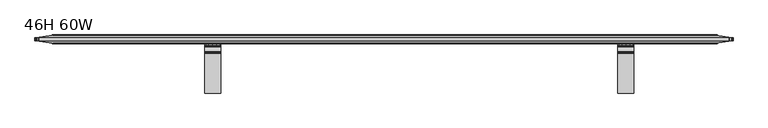
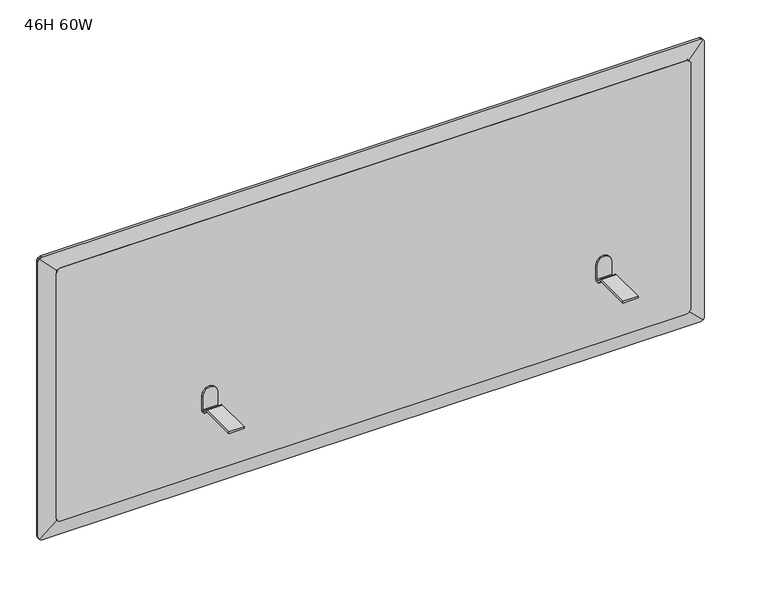
"""IFC4 building model written with IfcOpenShell, lengths in millimetres: furniture geometry, 46H 60W."""

from ifc_helpers import new_model, si_unit, frame, origin, place, context, project, spatial, polyline, outline, extrude, faceted_brep, source, transform, mapped, element, save


def furniture_46h_60w_ae4ec70a(model_context):
    return source(origin(), model_context, "Body", "SolidModel", [
        faceted_brep([(1113.766828, -116.7817253, 666.5974657), (1148.7680164, -116.7817253, 666.5974657), (1148.7680164, -116.7817253, 670.585231), (1113.766828, -116.7817253, 670.585231), (1148.7680164, -9.5259334, 693.0895987), (1148.7680164, -9.5259334, 661.0950399), (1113.766828, -9.5259334, 661.0950399), (1113.766828, -9.5259334, 693.0895987), (1116.1114523, -9.5259334, 701.8399366), (1122.5171296, -9.5259334, 708.2455776), (1131.2674313, -9.5259334, 710.590202), (1140.0177147, -9.5259334, 708.2455776), (1146.4233921, -9.5259334, 701.8399366), (1113.766828, -31.1421035, 670.585231), (1113.766828, -29.2320933, 670.2053123), (1113.766828, -27.6128631, 669.1234016), (1113.766828, -17.8064236, 659.3169508), (1113.766828, -15.0660374, 658.7718533), (1113.766828, -13.5137327, 661.0950399), (1113.766828, -13.5137327, 693.0895987), (1113.766828, -10.6217853, 657.4824697), (1113.766828, -13.5399723, 655.0875578), (1113.766828, -17.2968889, 654.7175949), (1113.766828, -20.6262233, 656.4971375), (1113.766828, -30.7265422, 666.5974657), (1116.1114523, -13.5137327, 701.8399366), (1122.5171296, -13.5137327, 708.2455776), (1131.2674313, -13.5137327, 710.590202), (1140.0177147, -13.5137327, 708.2455776), (1146.4233921, -13.5137327, 701.8399366), (1148.7680164, -13.5137327, 693.0895987), (1148.7680164, -30.7265422, 666.5974657), (1148.7680164, -20.6262233, 656.4971375), (1148.7680164, -17.2968889, 654.7175949), (1148.7680164, -13.5399723, 655.0875578), (1148.7680164, -10.6217853, 657.4824697), (1148.7680164, -13.5137327, 661.0950399), (1148.7680164, -15.0660374, 658.7718533), (1148.7680164, -17.8064236, 659.3169508), (1148.7680164, -27.6128631, 669.1234016), (1148.7680164, -29.2320933, 670.2053123), (1148.7680164, -31.1421035, 670.585231)], [[[0, 1, 2, 3]], [[4, 5, 6, 7, 8, 9, 10, 11, 12]], [[3, 13, 14, 15, 16, 17, 18, 19, 7, 6, 20, 21, 22, 23, 24, 0]], [[7, 19, 25, 8]], [[8, 25, 26, 9]], [[9, 26, 27, 10]], [[10, 27, 28, 11]], [[11, 28, 29, 12]], [[12, 29, 30, 4]], [[1, 31, 32, 33, 34, 35, 5, 4, 30, 36, 37, 38, 39, 40, 41, 2]], [[36, 30, 29, 28, 27, 26, 25, 19, 18]], [[13, 3, 2, 41]], [[41, 40, 14, 13]], [[40, 39, 15, 14]], [[39, 38, 16, 15]], [[38, 37, 17, 16]], [[18, 17, 37, 36]], [[31, 1, 0, 24]], [[20, 6, 5, 35]], [[35, 34, 21, 20]], [[34, 33, 22, 21]], [[33, 32, 23, 22]], [[24, 23, 32, 31]]]),
        faceted_brep([(251.2847345, -116.7817253, 666.5974657), (251.2847345, -116.7817253, 670.585231), (216.2835461, -116.7817253, 670.585231), (216.2835461, -116.7817253, 666.5974657), (216.2835461, -9.5259334, 693.0895987), (218.6281704, -9.5259334, 701.8399366), (225.0338478, -9.5259334, 708.2455776), (233.7841312, -9.5259334, 710.590202), (242.5344329, -9.5259334, 708.2455776), (248.9401102, -9.5259334, 701.8399366), (251.2847345, -9.5259334, 693.0895987), (251.2847345, -9.5259334, 661.0950399), (216.2835461, -9.5259334, 661.0950399), (251.2847345, -30.7265422, 666.5974657), (251.2847345, -20.6262233, 656.4971375), (251.2847345, -17.2968889, 654.7175949), (251.2847345, -13.5399723, 655.0875578), (251.2847345, -10.6217853, 657.4824697), (251.2847345, -13.5137327, 693.0895987), (251.2847345, -13.5137327, 661.0950399), (251.2847345, -15.0660374, 658.7718533), (251.2847345, -17.8064236, 659.3169508), (251.2847345, -27.6128631, 669.1234016), (251.2847345, -29.2320933, 670.2053123), (251.2847345, -31.1421035, 670.585231), (248.9401102, -13.5137327, 701.8399366), (242.5344329, -13.5137327, 708.2455776), (233.7841312, -13.5137327, 710.590202), (225.0338478, -13.5137327, 708.2455776), (218.6281704, -13.5137327, 701.8399366), (216.2835461, -13.5137327, 693.0895987), (216.2835461, -31.1421035, 670.585231), (216.2835461, -29.2320933, 670.2053123), (216.2835461, -27.6128631, 669.1234016), (216.2835461, -17.8064236, 659.3169508), (216.2835461, -15.0660374, 658.7718533), (216.2835461, -13.5137327, 661.0950399), (216.2835461, -10.6217853, 657.4824697), (216.2835461, -13.5399723, 655.0875578), (216.2835461, -17.2968889, 654.7175949), (216.2835461, -20.6262233, 656.4971375), (216.2835461, -30.7265422, 666.5974657)], [[[0, 1, 2, 3]], [[4, 5, 6, 7, 8, 9, 10, 11, 12]], [[1, 0, 13, 14, 15, 16, 17, 11, 10, 18, 19, 20, 21, 22, 23, 24]], [[10, 9, 25, 18]], [[9, 8, 26, 25]], [[8, 7, 27, 26]], [[7, 6, 28, 27]], [[6, 5, 29, 28]], [[5, 4, 30, 29]], [[3, 2, 31, 32, 33, 34, 35, 36, 30, 4, 12, 37, 38, 39, 40, 41]], [[36, 19, 18, 25, 26, 27, 28, 29, 30]], [[24, 31, 2, 1]], [[31, 24, 23, 32]], [[32, 23, 22, 33]], [[33, 22, 21, 34]], [[34, 21, 20, 35]], [[19, 36, 35, 20]], [[41, 13, 0, 3]], [[17, 37, 12, 11]], [[37, 17, 16, 38]], [[38, 16, 15, 39]], [[39, 15, 14, 40]], [[13, 41, 40, 14]]]),
        faceted_brep([(1326.9175503, 8.1199057, 505.9989954), (1326.9175503, 8.1199057, 1109.7204046), (1362.1050472, 3.1746255, 1144.9079016), (1363.6110254, 2.9629741, 1142.9774169), (1364.6258617, 2.8203482, 1140.6516868), (1364.9469457, 2.7752228, 1138.4424376), (1364.9469457, 2.7752228, 477.2769624), (1364.6258617, 2.8203482, 475.0677133), (1363.6110254, 2.9629741, 472.7419831), (1362.1092763, 3.1740312, 470.8081494), (1326.9175503, -8.3900943, 1109.7204046), (1326.9175503, -8.3900943, 505.9989954), (1362.1050472, -3.1948165, 470.8114984), (1363.6110254, -2.9724655, 472.7419831), (1364.6258617, -2.8226294, 475.0677133), (1364.9469457, -2.7752228, 477.2769624), (1364.9469457, -2.7752228, 1138.4424376), (1364.6258617, -2.8226294, 1140.6516868), (1363.6110254, -2.9724655, 1142.9774169), (1362.109273, -3.1941925, 1144.9112547), (-114.3706046, 8.1199057, 1109.7204046), (-114.3706046, 8.1199057, 505.9989954), (-149.4905837, 3.1841146, 470.8790163), (-150.9373, 2.9807918, 472.7419831), (-151.952197, 2.8381574, 475.0677133), (-152.4, 2.7752228, 477.5897205), (-152.4, 2.7752228, 1138.1296795), (-151.952197, 2.8381574, 1140.6516868), (-150.9373, 2.9807918, 1142.9774169), (-149.4905837, 3.1841146, 1144.8403837), (-114.3706046, -8.3900943, 505.9989954), (-114.3706046, -8.3900943, 1109.7204046), (-149.4905837, -3.2047852, 1144.8403837), (-150.9373, -2.9911839, 1142.9774169), (-151.952197, -2.8413389, 1140.6516868), (-152.4, -2.7752228, 1138.1296795), (-152.4, -2.7752228, 477.5897205), (-151.952197, -2.8413389, 475.0677133), (-150.9373, -2.9911839, 472.7419831), (-149.4905837, -3.2047852, 470.8790163), (-147.8650888, 2.9971534, 1146.1706813), (-145.4759524, 2.8442429, 1147.2586963), (-142.8693227, 2.7752228, 1147.7498), (1355.5430586, 2.7752228, 1147.7498), (1358.1806883, 2.8343873, 1147.3288228), (1360.8063684, 3.0156254, 1146.0392464), (1360.8063684, -3.0277784, 1146.0392464), (1358.1806883, -2.8373782, 1147.3288228), (1355.5430586, -2.7752228, 1147.7498), (-142.8693227, -2.7752228, 1147.7498), (-145.4759524, -2.8477321, 1147.2586963), (-147.8650888, -3.0083726, 1146.1706813), (-142.8693227, -2.7752228, 467.9696), (-142.8693227, 2.7752228, 467.9696), (1355.5430586, 2.7752228, 467.9696), (1355.5430586, -2.7752228, 467.9696), (1360.8063684, 3.0156254, 469.6801536), (1358.1806883, 2.8343873, 468.3905772), (-145.4759524, 2.8442429, 468.4607037), (-147.8650888, 2.9971534, 469.5487187), (-147.8650888, -3.0083726, 469.5487187), (-145.4759524, -2.8477321, 468.4607037), (1358.1806883, -2.8373782, 468.3905772), (1360.8063684, -3.0277784, 469.6801536)], [[[0, 1, 2, 3, 4, 5, 6, 7, 8, 9]], [[10, 11, 12, 13, 14, 15, 16, 17, 18, 19]], [[20, 21, 22, 23, 24, 25, 26, 27, 28, 29]], [[30, 31, 32, 33, 34, 35, 36, 37, 38, 39]], [[1, 20, 29, 40, 41, 42, 43, 44, 45, 2]], [[31, 10, 19, 46, 47, 48, 49, 50, 51, 32]], [[1, 0, 11, 10]], [[21, 20, 31, 30]], [[20, 1, 10, 31]], [[5, 16, 15, 6]], [[35, 26, 25, 36]], [[42, 49, 48, 43]], [[52, 53, 54, 55]], [[21, 0, 9, 56, 57, 54, 53, 58, 59, 22]], [[11, 0, 21, 30]], [[11, 30, 39, 60, 61, 52, 55, 62, 63, 12]], [[34, 27, 26, 35]], [[27, 34, 33, 28]], [[32, 29, 28, 33]], [[29, 32, 51, 40]], [[40, 51, 50, 41]], [[41, 50, 49, 42]], [[24, 37, 36, 25]], [[37, 24, 23, 38]], [[22, 39, 38, 23]], [[39, 22, 59, 60]], [[60, 59, 58, 61]], [[61, 58, 53, 52]], [[44, 47, 46, 45]], [[19, 2, 45, 46]], [[2, 19, 18, 3]], [[3, 18, 17, 4]], [[4, 17, 16, 5]], [[47, 44, 43, 48]], [[56, 63, 62, 57]], [[9, 12, 63, 56]], [[12, 9, 8, 13]], [[13, 8, 7, 14]], [[14, 7, 6, 15]], [[57, 62, 55, 54]]]),
        extrude(outline(polyline([(1112.4451516, 1319.7513514), (1112.4451516, -103.8668925), (1111.7591065, -107.5082125), (1110.6710188, -109.8973489), (1109.389847, -111.4846944), (1107.4777545, -112.9695599), (1105.152097, -113.984457), (1102.4949008, -114.3706046), (513.2282614, -114.3706046), (510.5710652, -113.984457), (508.2454078, -112.9695599), (506.3333152, -111.4846944), (505.0521434, -109.8973489), (503.9640557, -107.5082125), (503.2744741, -103.8481217), (503.2744741, 1318.848715), (504.1305809, 1323.3926714), (505.2186686, 1325.7818078), (506.4998404, 1327.3691533), (508.411933, 1328.8540188), (510.7375904, 1329.8689158), (513.3947866, 1330.2550635), (1102.4949008, 1330.2550635), (1105.152097, 1329.8689158), (1107.4777545, 1328.8540188), (1109.389847, 1327.3691533), (1110.6710188, 1325.7818078), (1111.7591065, 1323.3926714), (1112.4451516, 1319.7513514)])), frame((0.0, -9.6600943, 0.0), z_axis=(0.0, 1.0, 0.0), x_axis=(0.0, 0.0, 1.0)), (0.0, 0.0, 1.0), 19.05),
    ])


if __name__ == "__main__":
    model = new_model("IFC4")
    model_context = context("Model", 3, world=origin())
    ifc_project = project(units=[si_unit("LENGTHUNIT", "METRE", prefix="MILLI")], contexts=[model_context])
    site = spatial("IfcSite", under=ifc_project)
    building = spatial("IfcBuilding", under=site)
    placement = place(None, origin())
    furniture_46h_60w_shape = furniture_46h_60w_ae4ec70a(model_context)
    element("IfcFurniture", 1, ObjectType="46H 60W", at=placement, inside=building, context=model_context, shape_type="MappedRepresentation", body=[
        mapped(furniture_46h_60w_shape, transform((0.0, 0.0, 0.0), x_axis=(1.0, 0.0, 0.0), y_axis=(0.0, 1.0, 0.0), z_axis=(0.0, 0.0, 1.0))),
    ])
    save(model, "model.ifc")
